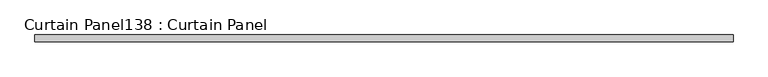
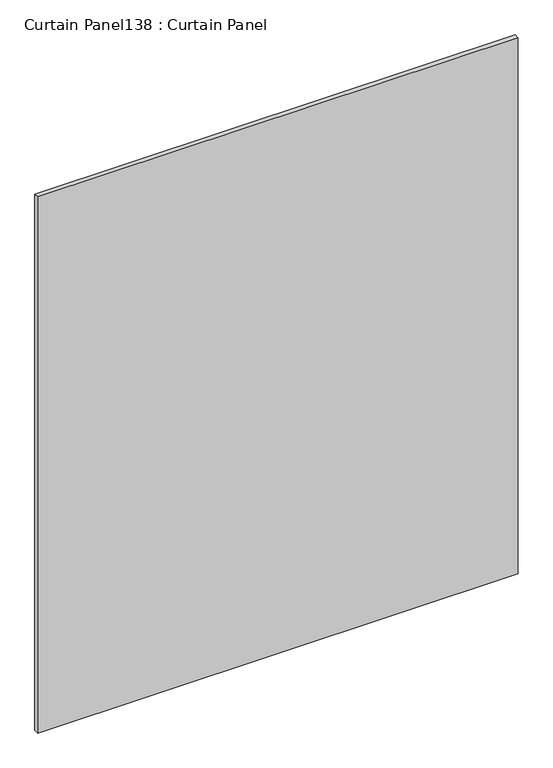
"""IFC4 building model written with IfcOpenShell, lengths in millimetres: plate geometry, Curtain Panel138 : Curtain Panel."""

from ifc_helpers import new_model, si_unit, frame, origin, place, context, project, spatial, polyline, outline, extrude, source, transform, mapped, element, save


def curtain_panel138_curtain_panel_db42e688(model_context):
    return source(origin(), model_context, "Body", "SweptSolid", [
        extrude(outline(polyline([(336339.4925793, 2059.793529), (333755.0183394, 2059.793529), (333755.0183394, 2085.193529), (336339.4925793, 2085.193529), (336339.4925793, 2059.793529)])), frame((0.0, 0.0, 5632.7163816), z_axis=(0.0, 0.0, 1.0), x_axis=(1.0, 0.0, 0.0)), (0.0, 0.0, 1.0), 3048.0),
    ])


if __name__ == "__main__":
    model = new_model("IFC4")
    model_context = context("Model", 3, world=origin())
    ifc_project = project(units=[si_unit("LENGTHUNIT", "METRE", prefix="MILLI")], contexts=[model_context])
    site = spatial("IfcSite", under=ifc_project)
    building = spatial("IfcBuilding", under=site)
    placement = place(None, origin())
    curtain_panel138_curtain_panel_shape = curtain_panel138_curtain_panel_db42e688(model_context)
    element("IfcPlate", 1, ObjectType="Curtain Panel138 : Curtain Panel", at=placement, inside=building, context=model_context, shape_type="MappedRepresentation", body=[
        mapped(curtain_panel138_curtain_panel_shape, transform((0.0, 0.0, 0.0), x_axis=(1.0, 0.0, 0.0), y_axis=(0.0, 1.0, 0.0), z_axis=(0.0, 0.0, 1.0))),
    ])
    save(model, "model.ifc")
